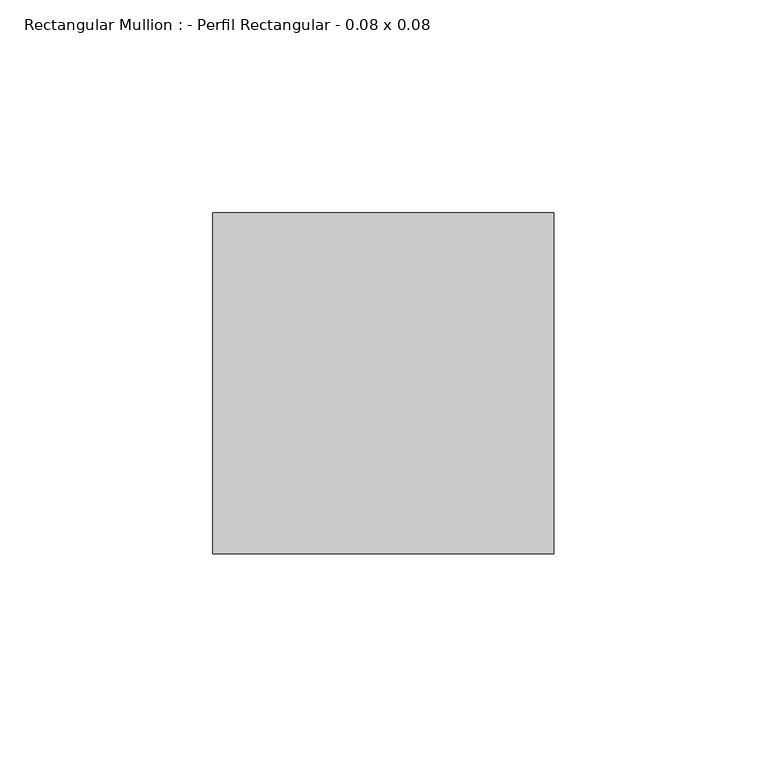
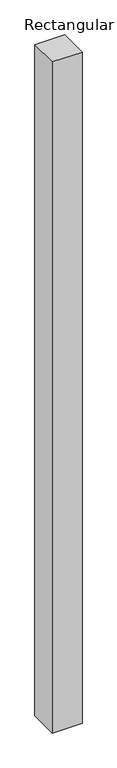
"""IFC4 building model written with IfcOpenShell, lengths in millimetres: member geometry, Rectangular Mullion : - Perfil Rectangular - 0.08 x 0.08."""

from ifc_helpers import new_model, si_unit, frame, origin, place, context, project, spatial, polyline, outline, extrude, source, transform, mapped, element, save


def rectangular_mullion_perfil_rectangular_0_08_x_0_08_1e23a310(model_context):
    return source(origin(), model_context, "Body", "SweptSolid", [
        extrude(outline(polyline([(-80.0, 80.0), (0.0, 80.0), (0.0, 0.0), (-80.0, 0.0), (-80.0, 80.0)])), frame((0.0, 0.0, -1900.0000002), z_axis=(0.0, 0.0, 1.0), x_axis=(1.0, 0.0, 0.0)), (0.0, 0.0, 1.0), 1900.0000002),
    ])


if __name__ == "__main__":
    model = new_model("IFC4")
    model_context = context("Model", 3, world=origin())
    ifc_project = project(units=[si_unit("LENGTHUNIT", "METRE", prefix="MILLI")], contexts=[model_context])
    site = spatial("IfcSite", under=ifc_project)
    building = spatial("IfcBuilding", under=site)
    placement = place(None, origin())
    rectangular_mullion_perfil_rectangular_0_08_x_0_08_shape = rectangular_mullion_perfil_rectangular_0_08_x_0_08_1e23a310(model_context)
    element("IfcMember", 1, ObjectType="Rectangular Mullion : - Perfil Rectangular - 0.08 x 0.08", at=placement, inside=building, context=model_context, shape_type="MappedRepresentation", body=[
        mapped(rectangular_mullion_perfil_rectangular_0_08_x_0_08_shape, transform((0.0, 0.0, 0.0), x_axis=(1.0, 0.0, 0.0), y_axis=(0.0, 1.0, 0.0), z_axis=(0.0, 0.0, 1.0))),
    ])
    save(model, "model.ifc")
